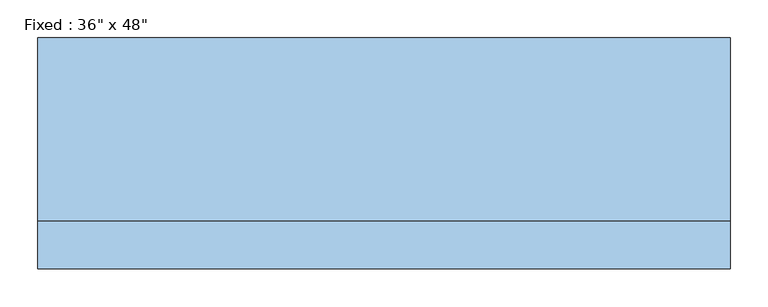
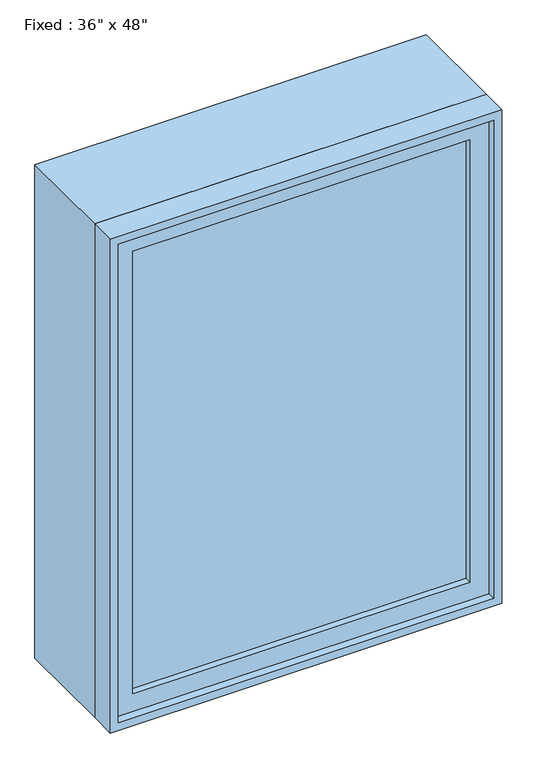
"""IFC4 building model written with IfcOpenShell, lengths in millimetres: window geometry."""

import ifcopenshell
import ifcopenshell.guid

model = None  # the IFC model being written
_history = None  # IfcOwnerHistory: only IFC2X3 demands one
_inside = {}  # id of a spatial element -> (the spatial element, [elements in it])
_under = {}  # id of a project, library or spatial element -> (it, [spatial elements below it])
_declared = {}  # id of a project -> (the project, [libraries it declares])
_typed = {}  # id of a type object -> (the type object, [elements of that type])
_made_of = {}  # id of a material, layer set ... -> (it, [elements and type objects made of it])


def new_model(schema):
    """Start an empty IFC model of exactly this schema.

    Asked for "IFC4X3", IfcOpenShell would pick the latest addendum, in which some entities
    have other attributes; the version numbers below select the first issue.
    IFC2X3 requires an IfcOwnerHistory on every rooted entity: one is made here for all.
    """
    global model, _history
    if schema == "IFC4X3":
        model = ifcopenshell.file(schema_version=(4, 3, 0, 0))
    else:
        model = ifcopenshell.file(schema=schema)
    _inside.clear()
    _under.clear()
    _declared.clear()
    _typed.clear()
    _made_of.clear()
    _history = None
    if model.schema == "IFC2X3":
        org = make("IfcOrganization", Name="unknown")
        user = make(
            "IfcPersonAndOrganization",
            ThePerson=make("IfcPerson", FamilyName="unknown"),
            TheOrganization=org,
        )
        app = make(
            "IfcApplication",
            ApplicationDeveloper=org,
            Version="unknown",
            ApplicationFullName="unknown",
            ApplicationIdentifier="unknown",
        )
        _history = make(
            "IfcOwnerHistory",
            OwningUser=user,
            OwningApplication=app,
            ChangeAction="ADDED",
            CreationDate=0,
        )
    return model


def make(cls, **values):
    """One entity of the class cls with the attributes given. An attribute that is None is left unset."""
    return model.create_entity(
        cls, **{name: value for name, value in values.items() if value is not None}
    )


def rooted(cls, **values):
    """An entity with a GlobalId (a new one), such as an element, a storey or a relation."""
    return make(cls, GlobalId=ifcopenshell.guid.new(), OwnerHistory=_history, **values)


def si_unit(unit_type, name, prefix=None):
    """IfcSIUnit, for example si_unit("LENGTHUNIT", "METRE", prefix="MILLI")."""
    return make("IfcSIUnit", UnitType=unit_type, Prefix=prefix, Name=name)


def assignment(units):
    """IfcUnitAssignment: the units of a project."""
    return None if units is None else make("IfcUnitAssignment", Units=units)


def point(xyz):
    """IfcCartesianPoint."""
    return None if xyz is None else make("IfcCartesianPoint", Coordinates=xyz)


def direction(xyz):
    """IfcDirection."""
    return None if xyz is None else make("IfcDirection", DirectionRatios=xyz)


def frame(location, z_axis=None, x_axis=None):
    """IfcAxis2Placement3D, a coordinate frame: its origin and axes. An axis left out is left unset."""
    return make(
        "IfcAxis2Placement3D",
        Location=point(location),
        Axis=direction(z_axis),
        RefDirection=direction(x_axis),
    )


def origin():
    """The frame at (0, 0, 0) with its axes left unset."""
    return frame((0.0, 0.0, 0.0))


def place(relative_to, where):
    """IfcLocalPlacement: puts the frame where relative to a parent placement (None: the world)."""
    return make(
        "IfcLocalPlacement", PlacementRelTo=relative_to, RelativePlacement=where
    )


def context(
    kind, dimensions, precision=None, world=None, true_north=None, identifier=None
):
    """IfcGeometricRepresentationContext, for example the 3D "Model" context."""
    return make(
        "IfcGeometricRepresentationContext",
        ContextIdentifier=identifier,
        ContextType=kind,
        CoordinateSpaceDimension=dimensions,
        Precision=precision,
        WorldCoordinateSystem=world,
        TrueNorth=true_north,
    )


def project(units=None, contexts=None):
    """IfcProject with its units and contexts."""
    return rooted(
        "IfcProject",
        Name="project",
        RepresentationContexts=contexts,
        UnitsInContext=assignment(units),
    )


def spatial(cls, under=None, at=None, **own):
    """A site, building, storey or space (cls), placed at a placement, below another one or the project."""
    s = rooted(cls, ObjectPlacement=at, **own)
    if under is not None:
        _under.setdefault(under.id(), (under, []))[1].append(s)
    return s


def polyline(points):
    """IfcPolyline through the points."""
    return make("IfcPolyline", Points=[point(p) for p in points])


def outline(outer, holes=None, kind="AREA"):
    """IfcArbitraryClosedProfileDef: a profile drawn as a closed curve; with holes, ...WithVoids."""
    if holes is None:
        return make("IfcArbitraryClosedProfileDef", ProfileType=kind, OuterCurve=outer)
    return make(
        "IfcArbitraryProfileDefWithVoids",
        ProfileType=kind,
        OuterCurve=outer,
        InnerCurves=holes,
    )


def extrude(swept, where, along, depth):
    """IfcExtrudedAreaSolid: the profile swept, set in the frame where, extruded along a direction by depth."""
    return make(
        "IfcExtrudedAreaSolid",
        SweptArea=swept,
        Position=where,
        ExtrudedDirection=direction(along),
        Depth=depth,
    )


def shape(context_of_items, identifier, shape_type, items):
    """IfcShapeRepresentation: the items that make up one representation, for example the "Body"."""
    return make(
        "IfcShapeRepresentation",
        ContextOfItems=context_of_items,
        RepresentationIdentifier=identifier,
        RepresentationType=shape_type,
        Items=items,
    )


def source(mapping_origin, context_of_items, identifier, shape_type, items):
    """IfcRepresentationMap: a shape defined once, which mapped items show again and again."""
    return make(
        "IfcRepresentationMap",
        MappingOrigin=mapping_origin,
        MappedRepresentation=shape(context_of_items, identifier, shape_type, items),
    )


def transform(
    local_origin,
    x_axis=None,
    y_axis=None,
    z_axis=None,
    scale=None,
    scale2=None,
    scale3=None,
    uniform=True,
):
    """IfcCartesianTransformationOperator3D, or its non-uniform kind. x_axis, y_axis, z_axis: its Axis1, 2, 3."""
    if uniform:
        return make(
            "IfcCartesianTransformationOperator3D",
            Axis1=direction(x_axis),
            Axis2=direction(y_axis),
            LocalOrigin=point(local_origin),
            Scale=scale,
            Axis3=direction(z_axis),
        )
    return make(
        "IfcCartesianTransformationOperator3DnonUniform",
        Axis1=direction(x_axis),
        Axis2=direction(y_axis),
        LocalOrigin=point(local_origin),
        Scale=scale,
        Axis3=direction(z_axis),
        Scale2=scale2,
        Scale3=scale3,
    )


def mapped(mapping_source, mapping_target):
    """IfcMappedItem: shows the shape of a source again, moved by a transform."""
    return make(
        "IfcMappedItem", MappingSource=mapping_source, MappingTarget=mapping_target
    )


def made_of(thing, what):
    """Note that an element or type object is made of a material, layer set ...; save() writes the relation."""
    if what is not None:
        _made_of.setdefault(what.id(), (what, []))[1].append(thing)
    return thing


def element(
    cls,
    number,
    at=None,
    inside=None,
    cuts=None,
    type_object=None,
    material=None,
    context=None,
    identifier="Body",
    shape_type=None,
    held_by="IfcProductDefinitionShape",
    body=None,
    shapes=None,
    **own,
):
    """One element of the class cls, such as IfcWall. Its Tag is "e" and its number.

    at: its placement. inside: the storey or other place that contains it. cuts: it is an
    opening in that element (IfcRelVoidsElement). A single representation is given by context,
    identifier, shape_type and body (its items); several are given by shapes. held_by: the class
    of the entity that holds the representations. save() writes the other relations.
    """
    e = rooted(cls, Tag="e%d" % number, ObjectPlacement=at, **own)
    if body is not None:
        shapes = [shape(context, identifier, shape_type, body)]
    if shapes is not None:
        e.Representation = make(held_by, Representations=shapes)
    if inside is not None:
        _inside.setdefault(inside.id(), (inside, []))[1].append(e)
    if cuts is not None:
        rooted(
            "IfcRelVoidsElement", RelatingBuildingElement=cuts, RelatedOpeningElement=e
        )
    if type_object is not None:
        _typed.setdefault(type_object.id(), (type_object, []))[1].append(e)
    return made_of(e, material)


def aggregate(whole, parts):
    """IfcRelAggregates: a whole, such as a stair, and the parts it consists of."""
    return rooted("IfcRelAggregates", RelatingObject=whole, RelatedObjects=parts)


def save(model, path):
    """Write the relations noted so far, then the file.

    IfcRelAggregates (storeys below a building ...), IfcRelContainedInSpatialStructure (elements
    in a storey), IfcRelDefinesByType, IfcRelAssociatesMaterial and IfcRelDeclares: one each for
    every whole, place, type object, material and project.
    """
    for whole, parts in _under.values():
        aggregate(whole, parts)
    for where, things in _inside.values():
        rooted(
            "IfcRelContainedInSpatialStructure",
            RelatedElements=things,
            RelatingStructure=where,
        )
    for kind, things in _typed.values():
        rooted("IfcRelDefinesByType", RelatedObjects=things, RelatingType=kind)
    for what, things in _made_of.values():
        rooted("IfcRelAssociatesMaterial", RelatedObjects=things, RelatingMaterial=what)
    for by, libraries in _declared.values():
        rooted("IfcRelDeclares", RelatingContext=by, RelatedDefinitions=libraries)
    model.write(path)


def window_7eb9bea6(model_context):
    return source(origin(), model_context, "Body", "SweptSolid", [
        extrude(outline(polyline([(355.6, -104.775), (355.6, -117.475), (-431.8, -117.475), (-431.8, -104.775), (355.6, -104.775)])), frame((0.0, 0.0, 977.9), z_axis=(0.0, 0.0, 1.0), x_axis=(1.0, 0.0, 0.0)), (0.0, 0.0, 1.0), 1092.2),
        extrude(outline(polyline([(2114.55, -476.25), (933.45, -476.25), (933.45, 400.05), (2114.55, 400.05), (2114.55, -476.25)]), holes=[polyline([(2070.1, -431.8), (2070.1, 355.6), (977.9, 355.6), (977.9, -431.8), (2070.1, -431.8)])]), frame((0.0, -133.35, 0.0), z_axis=(0.0, 1.0, 0.0), x_axis=(0.0, 0.0, 1.0)), (0.0, 0.0, 1.0), 44.45),
        extrude(outline(polyline([(2133.6, -495.3), (914.4, -495.3), (914.4, 419.1), (2133.6, 419.1), (2133.6, -495.3)]), holes=[polyline([(2101.85, -463.55), (2101.85, 387.35), (946.15, 387.35), (946.15, -463.55), (2101.85, -463.55)])]), frame((0.0, -88.9, 0.0), z_axis=(0.0, 1.0, 0.0), x_axis=(0.0, 0.0, 1.0)), (0.0, 0.0, 1.0), 241.3),
        extrude(outline(polyline([(2133.6, 419.1), (2133.6, -495.3), (914.4, -495.3), (914.4, 419.1), (2133.6, 419.1)]), holes=[polyline([(2114.55, 400.05), (933.45, 400.05), (933.45, -476.25), (2114.55, -476.25), (2114.55, 400.05)])]), frame((0.0, -152.4, 0.0), z_axis=(0.0, 1.0, 0.0), x_axis=(0.0, 0.0, 1.0)), (0.0, 0.0, 1.0), 63.5),
    ])


if __name__ == "__main__":
    model = new_model("IFC4")
    model_context = context("Model", 3, world=origin())
    ifc_project = project(units=[si_unit("LENGTHUNIT", "METRE", prefix="MILLI")], contexts=[model_context])
    site = spatial("IfcSite", under=ifc_project)
    building = spatial("IfcBuilding", under=site)
    placement = place(None, origin())
    window_shape = window_7eb9bea6(model_context)
    element("IfcWindow", 1, ObjectType="Fixed : 36\" x 48\"", at=placement, inside=building, context=model_context, shape_type="MappedRepresentation", body=[
        mapped(window_shape, transform((0.0, 0.0, 0.0), x_axis=(1.0, 0.0, 0.0), y_axis=(0.0, 1.0, 0.0), z_axis=(0.0, 0.0, 1.0))),
    ])
    save(model, "model.ifc")
